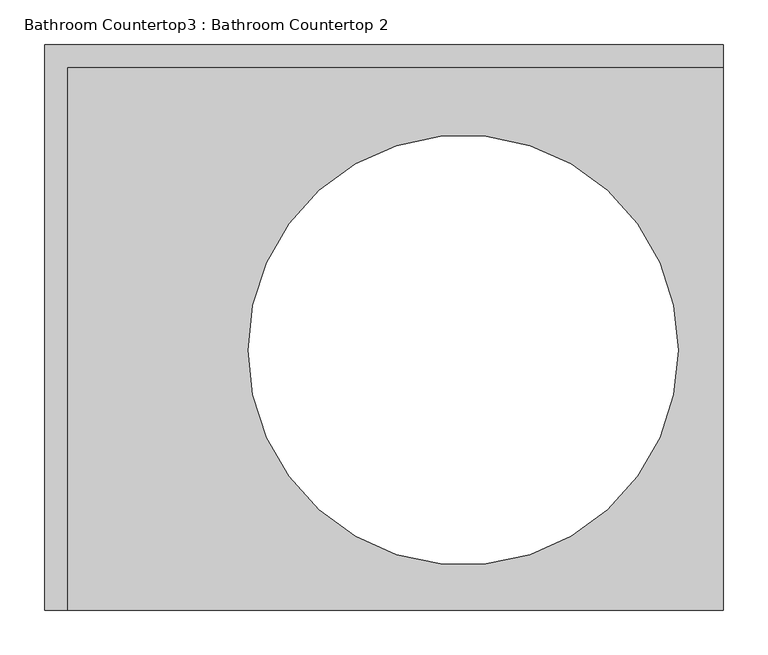
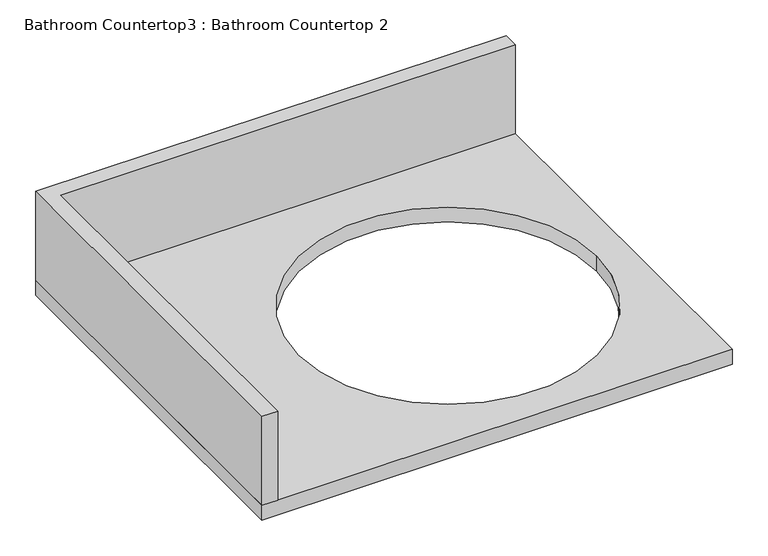
"""IFC4 building model written with IfcOpenShell, lengths in millimetres: proxy geometry, Bathroom Countertop3 : Bathroom Countertop 2."""

from ifc_helpers import new_model, si_unit, point, frame, frame_2d, origin, place, context, project, spatial, polyline, circle_curve, trimmed, segment, composite_curve, outline, extrude, source, transform, mapped, element, save


def bathroom_countertop3_bathroom_countertop_2_c73a901e(model_context):
    return source(origin(), model_context, "Body", "SweptSolid", [
        extrude(outline(polyline([(-381.0, -53.975), (381.0, -53.975), (381.0, -79.375), (-355.6, -79.375), (-355.6, -688.975), (-381.0, -688.975), (-381.0, -53.975)])), frame((0.0, 0.0, 914.4), z_axis=(0.0, 0.0, 1.0), x_axis=(1.0, 0.0, 0.0)), (0.0, 0.0, 1.0), 152.4),
        extrude(outline(polyline([(-381.0, -688.975), (-381.0, -53.975), (381.0, -53.975), (381.0, -688.975), (-381.0, -688.975)]), holes=[composite_curve([segment(trimmed(circle_curve(frame_2d((88.9, -396.875)), 241.3), [point((-152.4, -396.875))], [point((330.2, -396.875))], True, "CARTESIAN"), True, "CONTINUOUS"), segment(trimmed(circle_curve(frame_2d((88.9, -396.875)), 241.3), [point((330.2, -396.875))], [point((-152.4, -396.875))], True, "CARTESIAN"), True, "CONTINUOUS")], self_intersect=False)]), frame((0.0, 0.0, 889.0), z_axis=(0.0, 0.0, 1.0), x_axis=(1.0, 0.0, 0.0)), (0.0, 0.0, 1.0), 25.4),
    ])


if __name__ == "__main__":
    model = new_model("IFC4")
    model_context = context("Model", 3, world=origin())
    ifc_project = project(units=[si_unit("LENGTHUNIT", "METRE", prefix="MILLI")], contexts=[model_context])
    site = spatial("IfcSite", under=ifc_project)
    building = spatial("IfcBuilding", under=site)
    placement = place(None, origin())
    bathroom_countertop3_bathroom_countertop_2_shape = bathroom_countertop3_bathroom_countertop_2_c73a901e(model_context)
    element("IfcBuildingElementProxy", 1, Name="Bathroom Countertop3 : Bathroom Countertop 2", ObjectType="Bathroom Countertop3 : Bathroom Countertop 2", at=placement, inside=building, context=model_context, shape_type="MappedRepresentation", body=[
        mapped(bathroom_countertop3_bathroom_countertop_2_shape, transform((0.0, 0.0, 0.0), x_axis=(1.0, 0.0, 0.0), y_axis=(0.0, 1.0, 0.0), z_axis=(0.0, 0.0, 1.0))),
    ])
    save(model, "model.ifc")
